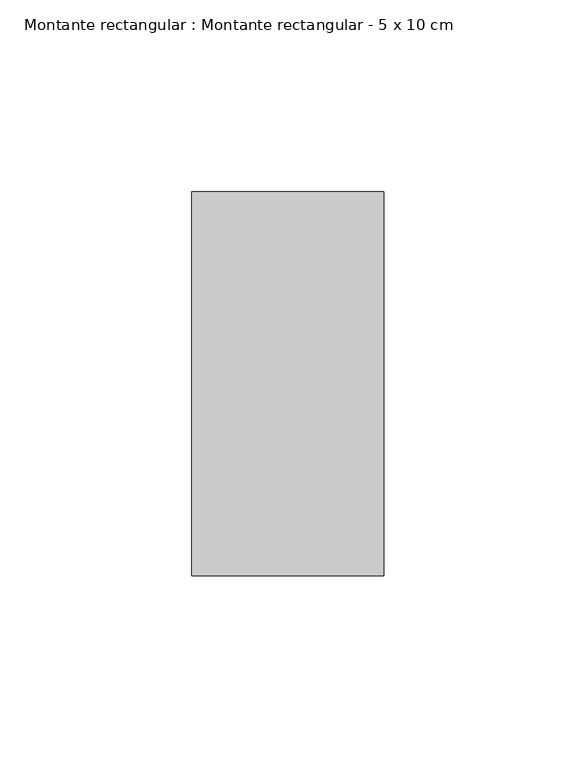
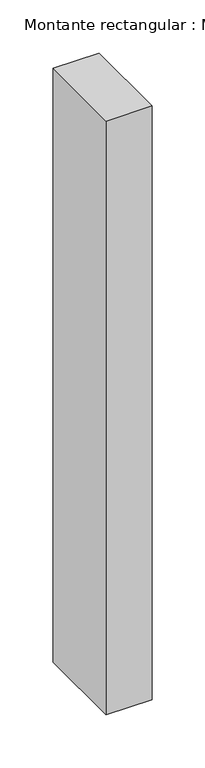
"""IFC4 building model written with IfcOpenShell, lengths in millimetres: member geometry, Montante rectangular : Montante rectangular - 5 x 10 cm."""

from ifc_helpers import new_model, si_unit, frame, origin, place, context, project, spatial, polyline, outline, extrude, source, transform, mapped, element, save


def montante_rectangular_montante_rectangular_5_x_10_cm_6c6f84e5(model_context):
    return source(origin(), model_context, "Body", "SweptSolid", [
        extrude(outline(polyline([(-50.0, 50.0), (0.0, 50.0), (0.0, -50.0), (-50.0, -50.0), (-50.0, 50.0)])), frame((0.0, 0.0, -682.0), z_axis=(0.0, 0.0, 1.0), x_axis=(1.0, 0.0, 0.0)), (0.0, 0.0, 1.0), 682.0),
    ])


if __name__ == "__main__":
    model = new_model("IFC4")
    model_context = context("Model", 3, world=origin())
    ifc_project = project(units=[si_unit("LENGTHUNIT", "METRE", prefix="MILLI")], contexts=[model_context])
    site = spatial("IfcSite", under=ifc_project)
    building = spatial("IfcBuilding", under=site)
    placement = place(None, origin())
    montante_rectangular_montante_rectangular_5_x_10_cm_shape = montante_rectangular_montante_rectangular_5_x_10_cm_6c6f84e5(model_context)
    element("IfcMember", 1, ObjectType="Montante rectangular : Montante rectangular - 5 x 10 cm", at=placement, inside=building, context=model_context, shape_type="MappedRepresentation", body=[
        mapped(montante_rectangular_montante_rectangular_5_x_10_cm_shape, transform((0.0, 0.0, 0.0), x_axis=(1.0, 0.0, 0.0), y_axis=(0.0, 1.0, 0.0), z_axis=(0.0, 0.0, 1.0))),
    ])
    save(model, "model.ifc")
